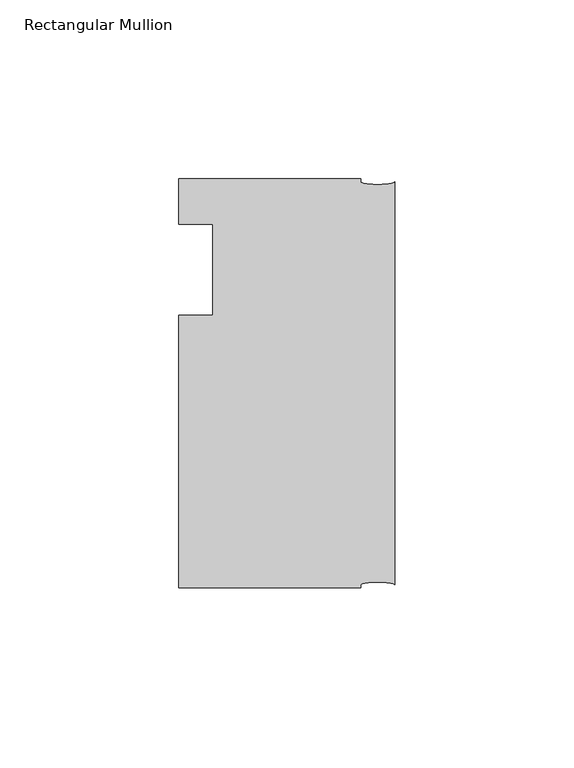
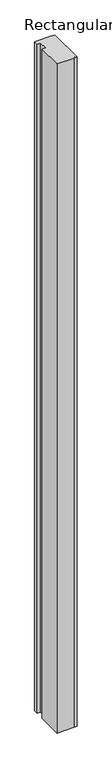
"""IFC4 building model written with IfcOpenShell, lengths in millimetres: member geometry, Rectangular Mullion."""

from ifc_helpers import new_model, si_unit, point, frame, origin, place, context, project, spatial, ellipse_curve, trimmed, source, transform, mapped, element, save
from ifc_brep_helpers import plane_surface, extruded_surface, advanced_brep


def rectangular_mullion_55f61d85(model_context):
    return source(origin(), model_context, "Body", "AdvancedBrep", [
        advanced_brep(
        [(-60.325, -101.6, 0.0), (-9.525, -101.6, 0.0), (-9.525, -100.80625, 0.0), (0.0, -100.80625, 0.0), (0.0, 11.90625, 0.0), (-9.525, 11.90625, 0.0), (-9.525, 12.7, 0.0), (-60.325, 12.7, 0.0), (-60.325, 0.0, 0.0), (-50.8, 0.0, 0.0), (-50.8, -25.4, 0.0), (-60.325, -25.4, 0.0), (-60.325, -101.6, -2098.675), (-60.325, -25.4, -2098.675), (-50.8, -25.4, -2098.675), (-50.8, 0.0, -2098.675), (-60.325, 0.0, -2098.675), (-60.325, 12.7, -2098.675), (-9.525, 12.7, -2098.675), (-9.525, 11.90625, -2098.675), (0.0, 11.90625, -2098.675), (0.0, -100.80625, -2098.675), (-9.525, -100.80625, -2098.675), (-9.525, -101.6, -2098.675)],
        [
            (0, 1),
            (1, 2),
            (2, 3, ellipse_curve(frame((-4.7625, -100.80625, 0.0), z_axis=(0.0, 0.0, -1.0), x_axis=(-1.0, 0.0, 0.0)), 4.7625, 0.79375)),
            (3, 4),
            (4, 5, ellipse_curve(frame((-4.7625, 11.90625, 0.0), z_axis=(0.0, 0.0, -1.0), x_axis=(-1.0, 0.0, 0.0)), 4.7625, 0.79375)),
            (5, 6),
            (6, 7),
            (7, 8),
            (8, 9),
            (9, 10),
            (10, 11),
            (11, 0),
            (12, 13),
            (13, 14),
            (14, 15),
            (15, 16),
            (16, 17),
            (17, 18),
            (18, 19),
            (19, 20, ellipse_curve(frame((-4.7625, 11.90625, -2098.675), z_axis=(0.0, 0.0, 1.0), x_axis=(-1.0, 0.0, 0.0)), 4.7625, 0.79375)),
            (20, 21),
            (21, 22, ellipse_curve(frame((-4.7625, -100.80625, -2098.675), z_axis=(0.0, 0.0, 1.0), x_axis=(-1.0, 0.0, 0.0)), 4.7625, 0.79375)),
            (22, 23),
            (23, 12),
            (0, 12),
            (23, 1),
            (22, 2),
            (21, 3),
            (20, 4),
            (19, 5),
            (18, 6),
            (17, 7),
            (16, 8),
            (15, 9),
            (14, 10),
            (13, 11),
        ],
        [
            plane_surface(frame((0.0, -118.1594923, 0.0), z_axis=(0.0, 0.0, 1.0), x_axis=(-1.0, 0.0, 0.0))),
            plane_surface(frame((0.0, -118.1594923, -2098.675), z_axis=(0.0, 0.0, -1.0), x_axis=(-1.0, 0.0, 0.0))),
            plane_surface(frame((-60.325, -101.6, 0.0), z_axis=(0.0, -1.0, 0.0), x_axis=(0.0, 0.0, -1.0))),
            plane_surface(frame((-9.525, -101.6, 0.0), z_axis=(1.0, 0.0, 0.0), x_axis=(0.0, 0.0, -1.0))),
            extruded_surface(trimmed(ellipse_curve(frame((-4.7625, -100.80625, -2098.675), z_axis=(0.0, 0.0, -1.0), x_axis=(-1.0, 0.0, 0.0)), 4.7625, 0.79375), [point((-9.525, -100.80625, -2098.675))], [point((0.0, -100.80625, -2098.675))], True, "CARTESIAN"), (0.0, 0.0, 2098.675), 2098.675),
            plane_surface(frame((0.0, -100.80625, 0.0), z_axis=(1.0, 0.0, 0.0), x_axis=(0.0, 0.0, -1.0))),
            extruded_surface(trimmed(ellipse_curve(frame((-4.7625, 11.90625, -2098.675), z_axis=(0.0, 0.0, -1.0), x_axis=(-1.0, 0.0, 0.0)), 4.7625, 0.79375), [point((0.0, 11.90625, -2098.675))], [point((-9.525, 11.90625, -2098.675))], True, "CARTESIAN"), (0.0, 0.0, 2098.675), 2098.675),
            plane_surface(frame((-9.525, 11.90625, 0.0), z_axis=(1.0, 0.0, 0.0), x_axis=(0.0, 0.0, -1.0))),
            plane_surface(frame((-9.525, 12.7, 0.0), z_axis=(0.0, 1.0, 0.0), x_axis=(0.0, 0.0, -1.0))),
            plane_surface(frame((-60.325, 12.7, 0.0), z_axis=(-1.0, 0.0, 0.0), x_axis=(0.0, 0.0, -1.0))),
            plane_surface(frame((-60.325, 0.0, 0.0), z_axis=(0.0, -1.0, 0.0), x_axis=(0.0, 0.0, -1.0))),
            plane_surface(frame((-50.8, 0.0, 0.0), z_axis=(-1.0, 0.0, 0.0), x_axis=(0.0, 0.0, -1.0))),
            plane_surface(frame((-50.8, -25.4, 0.0), z_axis=(0.0, 1.0, 0.0), x_axis=(0.0, 0.0, -1.0))),
            plane_surface(frame((-60.325, -25.4, 0.0), z_axis=(-1.0, 0.0, 0.0), x_axis=(0.0, 0.0, -1.0))),
        ],
        [
            (0, [[1, 2, 3, 4, 5, 6, 7, 8, 9, 10, 11, 12]]),
            (1, [[13, 14, 15, 16, 17, 18, 19, 20, 21, 22, 23, 24]]),
            (2, [[-1, 25, -24, 26]]),
            (3, [[-2, -26, -23, 27]]),
            (4, [[-3, -27, -22, 28]]),
            (5, [[-4, -28, -21, 29]]),
            (6, [[-5, -29, -20, 30]]),
            (7, [[-6, -30, -19, 31]]),
            (8, [[-7, -31, -18, 32]]),
            (9, [[-8, -32, -17, 33]]),
            (10, [[-9, -33, -16, 34]]),
            (11, [[-10, -34, -15, 35]]),
            (12, [[-11, -35, -14, 36]]),
            (13, [[-12, -36, -13, -25]]),
        ],
    ),
    ])


if __name__ == "__main__":
    model = new_model("IFC4")
    model_context = context("Model", 3, world=origin())
    ifc_project = project(units=[si_unit("LENGTHUNIT", "METRE", prefix="MILLI")], contexts=[model_context])
    site = spatial("IfcSite", under=ifc_project)
    building = spatial("IfcBuilding", under=site)
    placement = place(None, origin())
    rectangular_mullion_shape = rectangular_mullion_55f61d85(model_context)
    element("IfcMember", 1, ObjectType="Rectangular Mullion", at=placement, inside=building, context=model_context, shape_type="MappedRepresentation", body=[
        mapped(rectangular_mullion_shape, transform((0.0, 0.0, 0.0), x_axis=(1.0, 0.0, 0.0), y_axis=(0.0, 1.0, 0.0), z_axis=(0.0, 0.0, 1.0))),
    ])
    save(model, "model.ifc")
